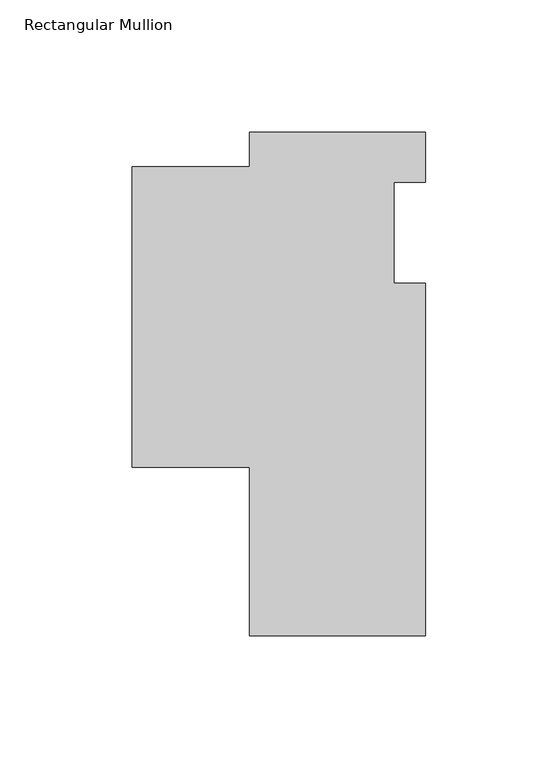
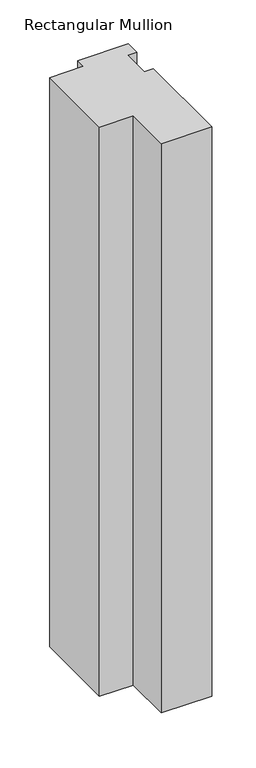
"""IFC4 building model written with IfcOpenShell, lengths in millimetres: member geometry, Rectangular Mullion."""

from ifc_helpers import new_model, si_unit, frame, origin, place, context, project, spatial, polyline, outline, extrude, source, transform, mapped, element, save


def rectangular_mullion_118de9b3(model_context):
    return source(origin(), model_context, "Body", "SweptSolid", [
        extrude(outline(polyline([(-34.925, -88.697435), (-79.424784, -88.697435), (-79.424784, 25.003125), (-34.925, 25.003125), (-34.925, 38.1), (31.75, 38.1), (31.75, 19.0504842), (19.8374, 19.0504842), (19.8374, -19.05), (31.75, -19.05), (31.75, -152.4), (-34.925, -152.4), (-34.925, -88.697435)])), frame((0.0, 0.0, -792.1713401), z_axis=(0.0, 0.0, 1.0), x_axis=(1.0, 0.0, 0.0)), (0.0, 0.0, 1.0), 792.1713401),
    ])


if __name__ == "__main__":
    model = new_model("IFC4")
    model_context = context("Model", 3, world=origin())
    ifc_project = project(units=[si_unit("LENGTHUNIT", "METRE", prefix="MILLI")], contexts=[model_context])
    site = spatial("IfcSite", under=ifc_project)
    building = spatial("IfcBuilding", under=site)
    placement = place(None, origin())
    rectangular_mullion_shape = rectangular_mullion_118de9b3(model_context)
    element("IfcMember", 1, ObjectType="Rectangular Mullion", at=placement, inside=building, context=model_context, shape_type="MappedRepresentation", body=[
        mapped(rectangular_mullion_shape, transform((0.0, 0.0, 0.0), x_axis=(1.0, 0.0, 0.0), y_axis=(0.0, 1.0, 0.0), z_axis=(0.0, 0.0, 1.0))),
    ])
    save(model, "model.ifc")
